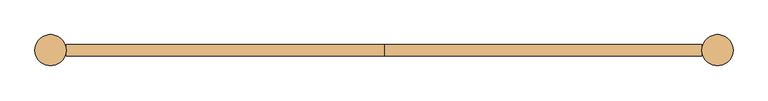
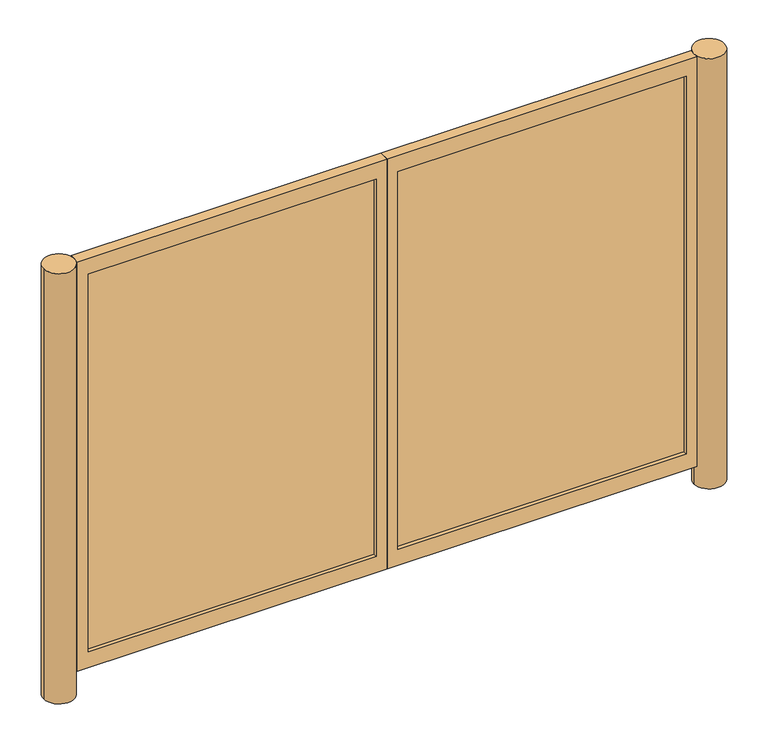
"""IFC4 building model written with IfcOpenShell, lengths in millimetres: door geometry."""

from ifc_helpers import new_model, si_unit, point, frame, frame_2d, origin, origin_with_axes, place, context, project, spatial, polyline, circle_curve, trimmed, segment, composite_curve, outline, extrude, source, transform, mapped, element, save


def door_e50ba36f(model_context):
    return source(origin(), model_context, "Body", "SweptSolid", [
        extrude(outline(composite_curve([segment(trimmed(circle_curve(frame_2d((-1524.0, 0.0)), 71.4375), [point((-1595.4375, 0.0))], [point((-1452.5625, 0.0))], False, "CARTESIAN"), True, "CONTINUOUS"), segment(trimmed(circle_curve(frame_2d((-1524.0, 0.0)), 71.4375), [point((-1452.5625, 0.0))], [point((-1595.4375, 0.0))], False, "CARTESIAN"), True, "CONTINUOUS")], self_intersect=False)), origin_with_axes(), (0.0, 0.0, 1.0), 2133.6),
        extrude(outline(composite_curve([segment(trimmed(circle_curve(frame_2d((1524.0, 0.0)), 71.4375), [point((1452.5625, 0.0))], [point((1595.4375, 0.0))], False, "CARTESIAN"), True, "CONTINUOUS"), segment(trimmed(circle_curve(frame_2d((1524.0, 0.0)), 71.4375), [point((1595.4375, 0.0))], [point((1452.5625, 0.0))], False, "CARTESIAN"), True, "CONTINUOUS")], self_intersect=False)), origin_with_axes(), (0.0, 0.0, 1.0), 2133.6),
        extrude(outline(polyline([(-50.8, -6.35), (-1401.7625, -6.35), (-1401.7625, 6.35), (-50.8, 6.35), (-50.8, -6.35)])), frame((0.0, 0.0, 180.975), z_axis=(0.0, 0.0, 1.0), x_axis=(1.0, 0.0, 0.0)), (0.0, 0.0, 1.0), 1873.25),
        extrude(outline(polyline([(1401.7625, -6.35), (50.8, -6.35), (50.8, 6.35), (1401.7625, 6.35), (1401.7625, -6.35)])), frame((0.0, 0.0, 180.975), z_axis=(0.0, 0.0, 1.0), x_axis=(1.0, 0.0, 0.0)), (0.0, 0.0, 1.0), 1873.25),
        extrude(outline(polyline([(2133.6, -1452.5625), (101.6, -1452.5625), (101.6, 0.0), (2133.6, 0.0), (2133.6, -1452.5625)]), holes=[polyline([(2054.225, -1401.7625), (2054.225, -50.8), (180.975, -50.8), (180.975, -1401.7625), (2054.225, -1401.7625)])]), frame((0.0, -25.4, 0.0), z_axis=(0.0, 1.0, 0.0), x_axis=(0.0, 0.0, 1.0)), (0.0, 0.0, 1.0), 50.8),
        extrude(outline(polyline([(2133.6, 0.0), (101.6, 0.0), (101.6, 1452.5625), (2133.6, 1452.5625), (2133.6, 0.0)]), holes=[polyline([(2054.225, 50.8), (2054.225, 1401.7625), (180.975, 1401.7625), (180.975, 50.8), (2054.225, 50.8)])]), frame((0.0, -25.4, 0.0), z_axis=(0.0, 1.0, 0.0), x_axis=(0.0, 0.0, 1.0)), (0.0, 0.0, 1.0), 50.8),
    ])


if __name__ == "__main__":
    model = new_model("IFC4")
    model_context = context("Model", 3, world=origin())
    ifc_project = project(units=[si_unit("LENGTHUNIT", "METRE", prefix="MILLI")], contexts=[model_context])
    site = spatial("IfcSite", under=ifc_project)
    building = spatial("IfcBuilding", under=site)
    placement = place(None, origin())
    door_shape = door_e50ba36f(model_context)
    element("IfcDoor", 1, at=placement, inside=building, context=model_context, shape_type="MappedRepresentation", body=[
        mapped(door_shape, transform((0.0, 0.0, 0.0), x_axis=(1.0, 0.0, 0.0), y_axis=(0.0, 1.0, 0.0), z_axis=(0.0, 0.0, 1.0))),
    ])
    save(model, "model.ifc")
